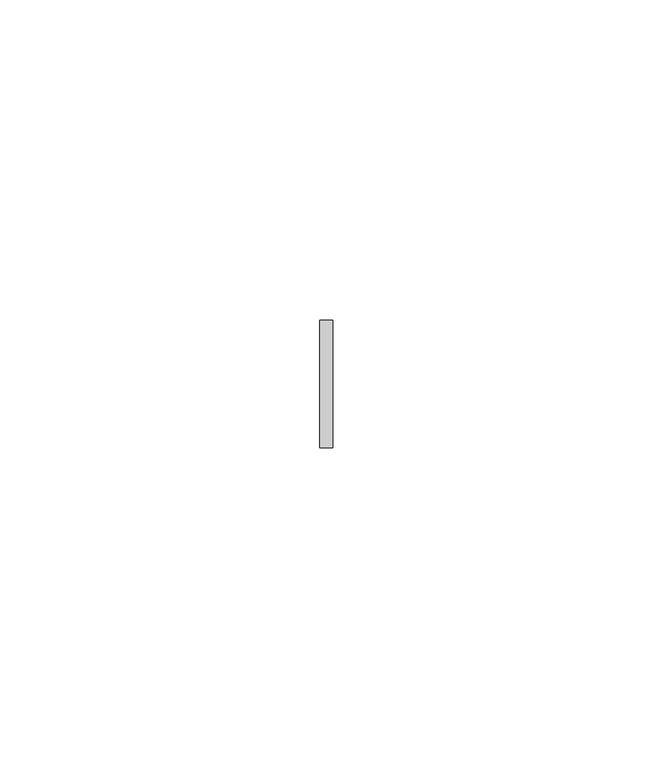
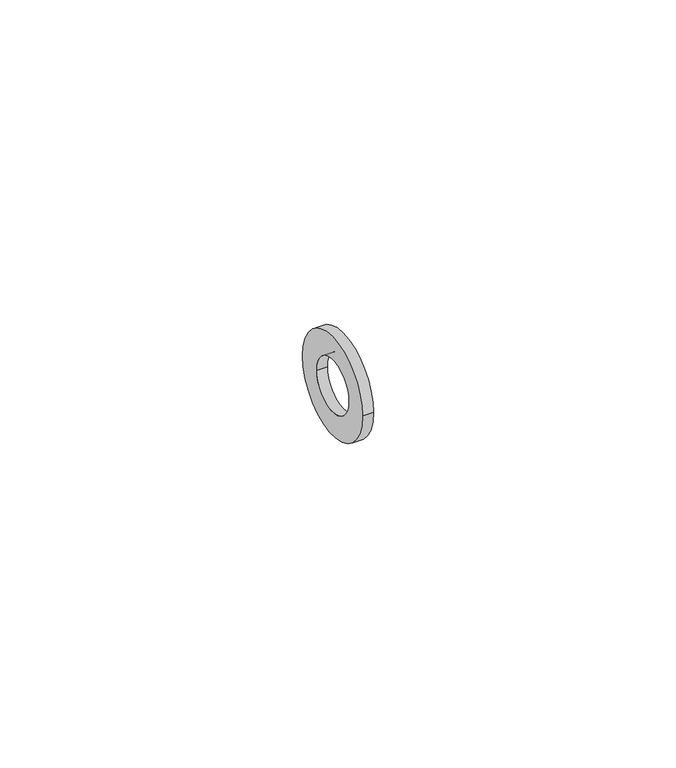
"""IFC4 building model written with IfcOpenShell, lengths in millimetres: proxy geometry."""

from ifc_helpers import new_model, si_unit, point, frame, origin, origin_2d, place, context, project, spatial, circle_curve, trimmed, segment, composite_curve, outline, extrude, source, transform, mapped, element, save


def generic_models_b630c138(model_context):
    return source(origin(), model_context, "Body", "SweptSolid", [
        extrude(outline(composite_curve([segment(trimmed(circle_curve(origin_2d(), 10.0), [point((10.0, 0.0))], [point((-10.0, 0.0))], False, "CARTESIAN"), True, "CONTINUOUS"), segment(trimmed(circle_curve(origin_2d(), 10.0), [point((-10.0, 0.0))], [point((10.0, 0.0))], False, "CARTESIAN"), True, "CONTINUOUS")], self_intersect=False), holes=[composite_curve([segment(trimmed(circle_curve(origin_2d(), 5.25), [point((5.25, 0.0))], [point((-5.25, 0.0))], True, "CARTESIAN"), True, "CONTINUOUS"), segment(trimmed(circle_curve(origin_2d(), 5.25), [point((-5.25, 0.0))], [point((5.25, 0.0))], True, "CARTESIAN"), True, "CONTINUOUS")], self_intersect=False)]), frame((0.0, 0.0, 0.0), z_axis=(1.0, 0.0, 0.0), x_axis=(0.0, 1.0, 0.0)), (0.0, 0.0, 1.0), 2.0),
    ])


if __name__ == "__main__":
    model = new_model("IFC4")
    model_context = context("Model", 3, world=origin())
    ifc_project = project(units=[si_unit("LENGTHUNIT", "METRE", prefix="MILLI")], contexts=[model_context])
    site = spatial("IfcSite", under=ifc_project)
    building = spatial("IfcBuilding", under=site)
    placement = place(None, origin())
    generic_models_shape = generic_models_b630c138(model_context)
    element("IfcBuildingElementProxy", 1, Name="Generic Models", at=placement, inside=building, context=model_context, shape_type="MappedRepresentation", body=[
        mapped(generic_models_shape, transform((0.0, 0.0, 0.0), x_axis=(1.0, 0.0, 0.0), y_axis=(0.0, 1.0, 0.0), z_axis=(0.0, 0.0, 1.0))),
    ])
    save(model, "model.ifc")
